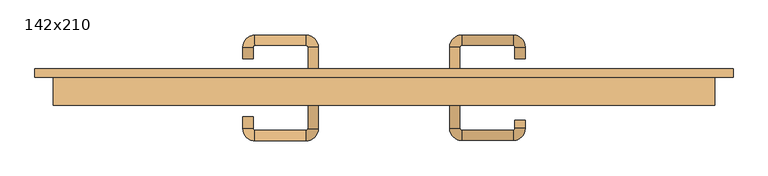
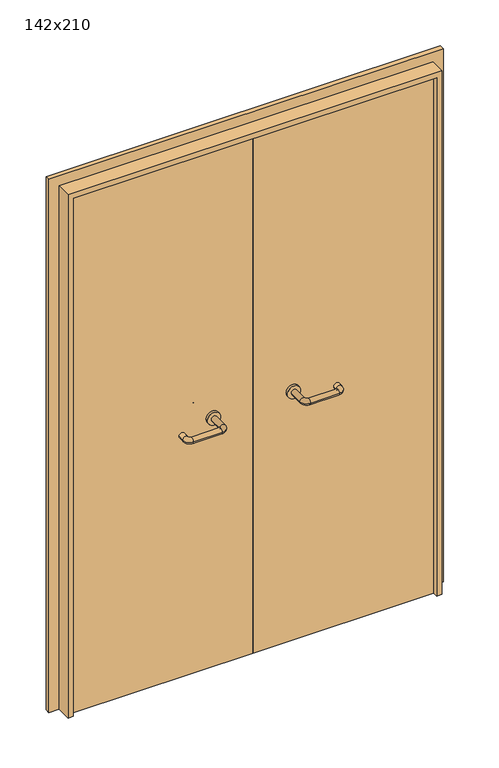
"""IFC4 building model written with IfcOpenShell, lengths in millimetres: door geometry, 142x210."""

from ifc_helpers import new_model, si_unit, point, frame, frame_2d, origin, place, context, project, spatial, polyline, circle_curve, ellipse_curve, trimmed, segment, composite_curve, outline, extrude, source, transform, mapped, element, save
from ifc_brep_helpers import plane_surface, cylinder_surface, revolved_surface, advanced_brep


def door_142x210_49f2d81c(model_context):
    return source(origin(), model_context, "Body", "SolidModel", [
        extrude(outline(polyline([(2139.0, 749.0), (2139.0, -749.0), (0.0, -749.0), (0.0, -705.0), (2095.0, -705.0), (2095.0, 705.0), (0.0, 705.0), (0.0, 749.0), (2139.0, 749.0)])), frame((0.0, 140.0, 0.0), z_axis=(0.0, 1.0, 0.0), x_axis=(0.0, 0.0, 1.0)), (0.0, 0.0, 1.0), 18.0),
        extrude(outline(polyline([(2100.0, -710.0), (0.0, -710.0), (0.0, -690.0), (2080.0, -690.0), (2080.0, 690.0), (0.0, 690.0), (0.0, 710.0), (2100.0, 710.0), (2100.0, -710.0)])), frame((0.0, 80.0, 0.0), z_axis=(0.0, 1.0, 0.0), x_axis=(0.0, 0.0, 1.0)), (0.0, 0.0, 1.0), 60.0),
        advanced_brep(
        [(140.99898, 86.0, 1003.0), (162.99898, 86.0, 1003.0), (140.99898, 30.6474631, 1003.0), (162.99898, 30.6474631, 1003.0), (166.99898, 26.6474631, 1003.0), (166.99898, 4.6474631, 1003.0), (276.99898, 4.6474631, 1003.0), (276.99898, 26.6474631, 1003.0), (280.99898, 30.6474631, 1003.0), (302.99898, 30.6474631, 1003.0), (302.99898, 48.0, 1003.0), (280.99898, 48.0, 1003.0)],
        [
            (0, 1, circle_curve(frame((151.99898, 86.0, 1003.0), z_axis=(0.0, 1.0, 0.0), x_axis=(1.0, 0.0, 0.0)), 11.0)),
            (1, 0, circle_curve(frame((151.99898, 86.0, 1003.0), z_axis=(0.0, 1.0, 0.0), x_axis=(1.0, 0.0, 0.0)), 11.0)),
            (0, 2),
            (2, 3, circle_curve(frame((151.99898, 30.6474631, 1003.0), z_axis=(0.0, 1.0, 0.0), x_axis=(1.0, 0.0, 0.0)), 11.0)),
            (3, 1),
            (3, 2, circle_curve(frame((151.99898, 30.6474631, 1003.0), z_axis=(0.0, 1.0, 0.0), x_axis=(1.0, 0.0, 0.0)), 11.0)),
            (4, 3, circle_curve(frame((166.99898, 30.6474631, 1003.0), z_axis=(0.0, 0.0, -1.0), x_axis=(-1.0, 0.0, 0.0)), 4.0)),
            (2, 5, circle_curve(frame((166.99898, 30.6474631, 1003.0), z_axis=(0.0, 0.0, 1.0), x_axis=(-1.0, 0.0, 0.0)), 26.0)),
            (5, 4, circle_curve(frame((166.99898, 15.6474631, 1003.0), z_axis=(-1.0, 0.0, 0.0), x_axis=(0.0, 1.0, 0.0)), 11.0)),
            (4, 5, circle_curve(frame((166.99898, 15.6474631, 1003.0), z_axis=(-1.0, 0.0, 0.0), x_axis=(0.0, 1.0, 0.0)), 11.0)),
            (5, 6),
            (6, 7, circle_curve(frame((276.99898, 15.6474631, 1003.0), z_axis=(-1.0, 0.0, 0.0), x_axis=(0.0, 1.0, 0.0)), 11.0)),
            (7, 4),
            (7, 6, circle_curve(frame((276.99898, 15.6474631, 1003.0), z_axis=(-1.0, 0.0, 0.0), x_axis=(0.0, 1.0, 0.0)), 11.0)),
            (8, 7, circle_curve(frame((276.99898, 30.6474631, 1003.0), z_axis=(0.0, 0.0, -1.0), x_axis=(0.0, -1.0, 0.0)), 4.0)),
            (6, 9, circle_curve(frame((276.99898, 30.6474631, 1003.0), z_axis=(0.0, 0.0, 1.0), x_axis=(0.0, -1.0, 0.0)), 26.0)),
            (9, 8, circle_curve(frame((291.99898, 30.6474631, 1003.0), z_axis=(0.0, -1.0, 0.0), x_axis=(-1.0, 0.0, 0.0)), 11.0)),
            (8, 9, circle_curve(frame((291.99898, 30.6474631, 1003.0), z_axis=(0.0, -1.0, 0.0), x_axis=(-1.0, 0.0, 0.0)), 11.0)),
            (10, 11, circle_curve(frame((291.99898, 48.0, 1003.0), z_axis=(0.0, 1.0, 0.0), x_axis=(-1.0, 0.0, 0.0)), 11.0)),
            (11, 10, circle_curve(frame((291.99898, 48.0, 1003.0), z_axis=(0.0, 1.0, 0.0), x_axis=(-1.0, 0.0, 0.0)), 11.0)),
            (9, 10),
            (11, 8),
        ],
        [
            plane_surface(frame((140.99898, 86.0, 1003.0), z_axis=(0.0, 1.0, 0.0), x_axis=(0.0, 0.0, -1.0))),
            cylinder_surface(frame((151.99898, 86.0, 1003.0), z_axis=(0.0, 1.0, 0.0), x_axis=(1.0, 0.0, 0.0)), 11.0),
            revolved_surface(trimmed(ellipse_curve(frame((151.99898, 30.6474631, 1003.0), z_axis=(0.0, 1.0, 0.0), x_axis=(1.0, 0.0, 0.0)), 11.0, 11.0), [point((140.99898, 30.6474631, 1003.0))], [point((162.99898, 30.6474631, 1003.0))], True, "CARTESIAN"), (166.99898, 30.6474631, 1003.0), (0.0, 0.0, 1.0)),
            revolved_surface(trimmed(ellipse_curve(frame((151.99898, 30.6474631, 1003.0), z_axis=(0.0, 1.0, 0.0), x_axis=(1.0, 0.0, 0.0)), 11.0, 11.0), [point((162.99898, 30.6474631, 1003.0))], [point((140.99898, 30.6474631, 1003.0))], True, "CARTESIAN"), (166.99898, 30.6474631, 1003.0), (0.0, 0.0, 1.0)),
            cylinder_surface(frame((166.99898, 15.6474631, 1003.0), z_axis=(-1.0, 0.0, 0.0), x_axis=(0.0, 1.0, 0.0)), 11.0),
            revolved_surface(trimmed(ellipse_curve(frame((276.99898, 15.6474631, 1003.0), z_axis=(-1.0, 0.0, 0.0), x_axis=(0.0, 1.0, 0.0)), 11.0, 11.0), [point((276.99898, 4.6474631, 1003.0))], [point((276.99898, 26.6474631, 1003.0))], True, "CARTESIAN"), (276.99898, 30.6474631, 1003.0), (0.0, 0.0, 1.0)),
            revolved_surface(trimmed(ellipse_curve(frame((276.99898, 15.6474631, 1003.0), z_axis=(-1.0, 0.0, 0.0), x_axis=(0.0, 1.0, 0.0)), 11.0, 11.0), [point((276.99898, 26.6474631, 1003.0))], [point((276.99898, 4.6474631, 1003.0))], True, "CARTESIAN"), (276.99898, 30.6474631, 1003.0), (0.0, 0.0, 1.0)),
            plane_surface(frame((280.99898, 48.0, 1003.0), z_axis=(0.0, 1.0, 0.0), x_axis=(0.0, 0.0, 1.0))),
            cylinder_surface(frame((291.99898, 30.6474631, 1003.0), z_axis=(0.0, -1.0, 0.0), x_axis=(-1.0, 0.0, 0.0)), 11.0),
        ],
        [
            (0, [[1, 2]]),
            (1, [[-1, 3, 4, 5]]),
            (1, [[-2, -5, 6, -3]]),
            (2, [[7, -4, 8, 9]]),
            (3, [[-8, -6, -7, 10]]),
            (4, [[-9, 11, 12, 13]]),
            (4, [[-10, -13, 14, -11]]),
            (5, [[15, -12, 16, 17]]),
            (6, [[-16, -14, -15, 18]]),
            (7, [[19, 20]]),
            (8, [[-17, 21, -20, 22]]),
            (8, [[-18, -22, -19, -21]]),
        ],
    ),
        extrude(outline(composite_curve([segment(trimmed(circle_curve(frame_2d((1003.0, 151.99898)), 25.0), [point((1003.0, 126.99898))], [point((1003.0, 176.99898))], False, "CARTESIAN"), True, "CONTINUOUS"), segment(trimmed(circle_curve(frame_2d((1003.0, 151.99898)), 25.0), [point((1003.0, 176.99898))], [point((1003.0, 126.99898))], False, "CARTESIAN"), True, "CONTINUOUS")], self_intersect=False)), frame((0.0, 86.0, 0.0), z_axis=(0.0, 1.0, 0.0), x_axis=(0.0, 0.0, 1.0)), (0.0, 0.0, 1.0), 10.0),
        advanced_brep(
        [(162.99898, 150.0, 1003.0), (140.99898, 150.0, 1003.0), (162.99898, 205.0, 1003.0), (140.99898, 205.0, 1003.0), (166.99898, 231.0, 1003.0), (166.99898, 209.0, 1003.0), (276.99898, 209.0, 1003.0), (276.99898, 231.0, 1003.0), (302.99898, 205.0, 1003.0), (280.99898, 205.0, 1003.0), (280.99898, 180.0, 1003.0), (302.99898, 180.0, 1003.0)],
        [
            (0, 1, circle_curve(frame((151.99898, 150.0, 1003.0), z_axis=(0.0, -1.0, 0.0), x_axis=(-1.0, 0.0, 0.0)), 11.0)),
            (1, 0, circle_curve(frame((151.99898, 150.0, 1003.0), z_axis=(0.0, -1.0, 0.0), x_axis=(-1.0, 0.0, 0.0)), 11.0)),
            (0, 2),
            (2, 3, circle_curve(frame((151.99898, 205.0, 1003.0), z_axis=(0.0, -1.0, 0.0), x_axis=(-1.0, 0.0, 0.0)), 11.0)),
            (3, 1),
            (3, 2, circle_curve(frame((151.99898, 205.0, 1003.0), z_axis=(0.0, -1.0, 0.0), x_axis=(-1.0, 0.0, 0.0)), 11.0)),
            (4, 3, circle_curve(frame((166.99898, 205.0, 1003.0), z_axis=(0.0, 0.0, 1.0), x_axis=(-1.0, 0.0, 0.0)), 26.0)),
            (2, 5, circle_curve(frame((166.99898, 205.0, 1003.0), z_axis=(0.0, 0.0, -1.0), x_axis=(-1.0, 0.0, 0.0)), 4.0)),
            (5, 4, circle_curve(frame((166.99898, 220.0, 1003.0), z_axis=(-1.0, 0.0, 0.0), x_axis=(0.0, 1.0, 0.0)), 11.0)),
            (4, 5, circle_curve(frame((166.99898, 220.0, 1003.0), z_axis=(-1.0, 0.0, 0.0), x_axis=(0.0, 1.0, 0.0)), 11.0)),
            (5, 6),
            (6, 7, circle_curve(frame((276.99898, 220.0, 1003.0), z_axis=(-1.0, 0.0, 0.0), x_axis=(0.0, 1.0, 0.0)), 11.0)),
            (7, 4),
            (7, 6, circle_curve(frame((276.99898, 220.0, 1003.0), z_axis=(-1.0, 0.0, 0.0), x_axis=(0.0, 1.0, 0.0)), 11.0)),
            (8, 7, circle_curve(frame((276.99898, 205.0, 1003.0), z_axis=(0.0, 0.0, 1.0), x_axis=(0.0, 1.0, 0.0)), 26.0)),
            (6, 9, circle_curve(frame((276.99898, 205.0, 1003.0), z_axis=(0.0, 0.0, -1.0), x_axis=(0.0, 1.0, 0.0)), 4.0)),
            (9, 8, circle_curve(frame((291.99898, 205.0, 1003.0), z_axis=(0.0, 1.0, 0.0), x_axis=(1.0, 0.0, 0.0)), 11.0)),
            (8, 9, circle_curve(frame((291.99898, 205.0, 1003.0), z_axis=(0.0, 1.0, 0.0), x_axis=(1.0, 0.0, 0.0)), 11.0)),
            (10, 11, circle_curve(frame((291.99898, 180.0, 1003.0), z_axis=(0.0, -1.0, 0.0), x_axis=(1.0, 0.0, 0.0)), 11.0)),
            (11, 10, circle_curve(frame((291.99898, 180.0, 1003.0), z_axis=(0.0, -1.0, 0.0), x_axis=(1.0, 0.0, 0.0)), 11.0)),
            (9, 10),
            (11, 8),
        ],
        [
            plane_surface(frame((140.99898, 150.0, 1003.0), z_axis=(0.0, -1.0, 0.0), x_axis=(0.0, 0.0, 1.0))),
            cylinder_surface(frame((151.99898, 150.0, 1003.0), z_axis=(0.0, -1.0, 0.0), x_axis=(-1.0, 0.0, 0.0)), 11.0),
            revolved_surface(trimmed(ellipse_curve(frame((151.99898, 205.0, 1003.0), z_axis=(0.0, -1.0, 0.0), x_axis=(-1.0, 0.0, 0.0)), 11.0, 11.0), [point((162.99898, 205.0, 1003.0))], [point((140.99898, 205.0, 1003.0))], True, "CARTESIAN"), (166.99898, 205.0, 1003.0), (0.0, 0.0, -1.0)),
            revolved_surface(trimmed(ellipse_curve(frame((151.99898, 205.0, 1003.0), z_axis=(0.0, -1.0, 0.0), x_axis=(-1.0, 0.0, 0.0)), 11.0, 11.0), [point((140.99898, 205.0, 1003.0))], [point((162.99898, 205.0, 1003.0))], True, "CARTESIAN"), (166.99898, 205.0, 1003.0), (0.0, 0.0, -1.0)),
            cylinder_surface(frame((166.99898, 220.0, 1003.0), z_axis=(-1.0, 0.0, 0.0), x_axis=(0.0, 1.0, 0.0)), 11.0),
            revolved_surface(trimmed(ellipse_curve(frame((276.99898, 220.0, 1003.0), z_axis=(-1.0, 0.0, 0.0), x_axis=(0.0, 1.0, 0.0)), 11.0, 11.0), [point((276.99898, 209.0, 1003.0))], [point((276.99898, 231.0, 1003.0))], True, "CARTESIAN"), (276.99898, 205.0, 1003.0), (0.0, 0.0, -1.0)),
            revolved_surface(trimmed(ellipse_curve(frame((276.99898, 220.0, 1003.0), z_axis=(-1.0, 0.0, 0.0), x_axis=(0.0, 1.0, 0.0)), 11.0, 11.0), [point((276.99898, 231.0, 1003.0))], [point((276.99898, 209.0, 1003.0))], True, "CARTESIAN"), (276.99898, 205.0, 1003.0), (0.0, 0.0, -1.0)),
            plane_surface(frame((280.99898, 180.0, 1003.0), z_axis=(0.0, -1.0, 0.0), x_axis=(0.0, 0.0, -1.0))),
            cylinder_surface(frame((291.99898, 205.0, 1003.0), z_axis=(0.0, 1.0, 0.0), x_axis=(1.0, 0.0, 0.0)), 11.0),
        ],
        [
            (0, [[1, 2]]),
            (1, [[-1, 3, 4, 5]]),
            (1, [[-2, -5, 6, -3]]),
            (2, [[7, -4, 8, 9]]),
            (3, [[-8, -6, -7, 10]]),
            (4, [[-9, 11, 12, 13]]),
            (4, [[-10, -13, 14, -11]]),
            (5, [[15, -12, 16, 17]]),
            (6, [[-16, -14, -15, 18]]),
            (7, [[19, 20]]),
            (8, [[-17, 21, -20, 22]]),
            (8, [[-18, -22, -19, -21]]),
        ],
    ),
        extrude(outline(composite_curve([segment(trimmed(circle_curve(frame_2d((1003.0, 151.99898)), 25.0), [point((1003.0, 176.99898))], [point((1003.0, 126.99898))], False, "CARTESIAN"), True, "CONTINUOUS"), segment(trimmed(circle_curve(frame_2d((1003.0, 151.99898)), 25.0), [point((1003.0, 126.99898))], [point((1003.0, 176.99898))], False, "CARTESIAN"), True, "CONTINUOUS")], self_intersect=False)), frame((0.0, 140.0, 0.0), z_axis=(0.0, 1.0, 0.0), x_axis=(0.0, 0.0, 1.0)), (0.0, 0.0, 1.0), 10.0),
        advanced_brep(
        [(-162.99898, 85.6886121, 1003.0), (-140.99898, 85.6886121, 1003.0), (-162.99898, 30.2779553, 1003.0), (-140.99898, 30.2779553, 1003.0), (-166.99898, 4.2779553, 1003.0), (-166.99898, 26.2779553, 1003.0), (-276.99898, 26.2779553, 1003.0), (-276.99898, 4.2779553, 1003.0), (-302.99898, 30.2779553, 1003.0), (-280.99898, 30.2779553, 1003.0), (-280.99898, 55.2779553, 1003.0), (-302.99898, 55.2779553, 1003.0)],
        [
            (0, 1, circle_curve(frame((-151.99898, 85.6886121, 1003.0), z_axis=(0.0, 1.0, 0.0), x_axis=(1.0, 0.0, 0.0)), 11.0)),
            (1, 0, circle_curve(frame((-151.99898, 85.6886121, 1003.0), z_axis=(0.0, 1.0, 0.0), x_axis=(1.0, 0.0, 0.0)), 11.0)),
            (0, 2),
            (2, 3, circle_curve(frame((-151.99898, 30.2779553, 1003.0), z_axis=(0.0, 1.0, 0.0), x_axis=(1.0, 0.0, 0.0)), 11.0)),
            (3, 1),
            (3, 2, circle_curve(frame((-151.99898, 30.2779553, 1003.0), z_axis=(0.0, 1.0, 0.0), x_axis=(1.0, 0.0, 0.0)), 11.0)),
            (4, 3, circle_curve(frame((-166.99898, 30.2779553, 1003.0), z_axis=(0.0, 0.0, 1.0), x_axis=(1.0, 0.0, 0.0)), 26.0)),
            (2, 5, circle_curve(frame((-166.99898, 30.2779553, 1003.0), z_axis=(0.0, 0.0, -1.0), x_axis=(1.0, 0.0, 0.0)), 4.0)),
            (5, 4, circle_curve(frame((-166.99898, 15.2779553, 1003.0), z_axis=(1.0, 0.0, 0.0), x_axis=(0.0, -1.0, 0.0)), 11.0)),
            (4, 5, circle_curve(frame((-166.99898, 15.2779553, 1003.0), z_axis=(1.0, 0.0, 0.0), x_axis=(0.0, -1.0, 0.0)), 11.0)),
            (5, 6),
            (6, 7, circle_curve(frame((-276.99898, 15.2779553, 1003.0), z_axis=(1.0, 0.0, 0.0), x_axis=(0.0, -1.0, 0.0)), 11.0)),
            (7, 4),
            (7, 6, circle_curve(frame((-276.99898, 15.2779553, 1003.0), z_axis=(1.0, 0.0, 0.0), x_axis=(0.0, -1.0, 0.0)), 11.0)),
            (8, 7, circle_curve(frame((-276.99898, 30.2779553, 1003.0), z_axis=(0.0, 0.0, 1.0), x_axis=(0.0, -1.0, 0.0)), 26.0)),
            (6, 9, circle_curve(frame((-276.99898, 30.2779553, 1003.0), z_axis=(0.0, 0.0, -1.0), x_axis=(0.0, -1.0, 0.0)), 4.0)),
            (9, 8, circle_curve(frame((-291.99898, 30.2779553, 1003.0), z_axis=(0.0, -1.0, 0.0), x_axis=(-1.0, 0.0, 0.0)), 11.0)),
            (8, 9, circle_curve(frame((-291.99898, 30.2779553, 1003.0), z_axis=(0.0, -1.0, 0.0), x_axis=(-1.0, 0.0, 0.0)), 11.0)),
            (10, 11, circle_curve(frame((-291.99898, 55.2779553, 1003.0), z_axis=(0.0, 1.0, 0.0), x_axis=(-1.0, 0.0, 0.0)), 11.0)),
            (11, 10, circle_curve(frame((-291.99898, 55.2779553, 1003.0), z_axis=(0.0, 1.0, 0.0), x_axis=(-1.0, 0.0, 0.0)), 11.0)),
            (9, 10),
            (11, 8),
        ],
        [
            plane_surface(frame((-162.99898, 85.6886121, 1003.0), z_axis=(0.0, 1.0, 0.0), x_axis=(0.0, 0.0, -1.0))),
            cylinder_surface(frame((-151.99898, 85.6886121, 1003.0), z_axis=(0.0, 1.0, 0.0), x_axis=(1.0, 0.0, 0.0)), 11.0),
            revolved_surface(trimmed(ellipse_curve(frame((-151.99898, 30.2779553, 1003.0), z_axis=(0.0, 1.0, 0.0), x_axis=(1.0, 0.0, 0.0)), 11.0, 11.0), [point((-162.99898, 30.2779553, 1003.0))], [point((-140.99898, 30.2779553, 1003.0))], True, "CARTESIAN"), (-166.99898, 30.2779553, 1003.0), (0.0, 0.0, -1.0)),
            revolved_surface(trimmed(ellipse_curve(frame((-151.99898, 30.2779553, 1003.0), z_axis=(0.0, 1.0, 0.0), x_axis=(1.0, 0.0, 0.0)), 11.0, 11.0), [point((-140.99898, 30.2779553, 1003.0))], [point((-162.99898, 30.2779553, 1003.0))], True, "CARTESIAN"), (-166.99898, 30.2779553, 1003.0), (0.0, 0.0, -1.0)),
            cylinder_surface(frame((-166.99898, 15.2779553, 1003.0), z_axis=(1.0, 0.0, 0.0), x_axis=(0.0, -1.0, 0.0)), 11.0),
            revolved_surface(trimmed(ellipse_curve(frame((-276.99898, 15.2779553, 1003.0), z_axis=(1.0, 0.0, 0.0), x_axis=(0.0, -1.0, 0.0)), 11.0, 11.0), [point((-276.99898, 26.2779553, 1003.0))], [point((-276.99898, 4.2779553, 1003.0))], True, "CARTESIAN"), (-276.99898, 30.2779553, 1003.0), (0.0, 0.0, -1.0)),
            revolved_surface(trimmed(ellipse_curve(frame((-276.99898, 15.2779553, 1003.0), z_axis=(1.0, 0.0, 0.0), x_axis=(0.0, -1.0, 0.0)), 11.0, 11.0), [point((-276.99898, 4.2779553, 1003.0))], [point((-276.99898, 26.2779553, 1003.0))], True, "CARTESIAN"), (-276.99898, 30.2779553, 1003.0), (0.0, 0.0, -1.0)),
            plane_surface(frame((-302.99898, 55.2779553, 1003.0), z_axis=(0.0, 1.0, 0.0), x_axis=(0.0, 0.0, 1.0))),
            cylinder_surface(frame((-291.99898, 30.2779553, 1003.0), z_axis=(0.0, -1.0, 0.0), x_axis=(-1.0, 0.0, 0.0)), 11.0),
        ],
        [
            (0, [[1, 2]]),
            (1, [[-1, 3, 4, 5]]),
            (1, [[-2, -5, 6, -3]]),
            (2, [[7, -4, 8, 9]]),
            (3, [[-8, -6, -7, 10]]),
            (4, [[-9, 11, 12, 13]]),
            (4, [[-10, -13, 14, -11]]),
            (5, [[15, -12, 16, 17]]),
            (6, [[-16, -14, -15, 18]]),
            (7, [[19, 20]]),
            (8, [[-17, 21, -20, 22]]),
            (8, [[-18, -22, -19, -21]]),
        ],
    ),
        extrude(outline(composite_curve([segment(trimmed(circle_curve(frame_2d((1003.0, -151.99898)), 25.0), [point((1003.0, -176.99898))], [point((1003.0, -126.99898))], False, "CARTESIAN"), True, "CONTINUOUS"), segment(trimmed(circle_curve(frame_2d((1003.0, -151.99898)), 25.0), [point((1003.0, -126.99898))], [point((1003.0, -176.99898))], False, "CARTESIAN"), True, "CONTINUOUS")], self_intersect=False)), frame((0.0, 85.6886121, 0.0), z_axis=(0.0, 1.0, 0.0), x_axis=(0.0, 0.0, 1.0)), (0.0, 0.0, 1.0), 10.3113879),
        advanced_brep(
        [(-140.99898, 149.5143417, 1003.0), (-162.99898, 149.5143417, 1003.0), (-140.99898, 204.6104656, 1003.0), (-162.99898, 204.6104656, 1003.0), (-166.99898, 208.6104656, 1003.0), (-166.99898, 230.6104656, 1003.0), (-276.99898, 230.6104656, 1003.0), (-276.99898, 208.6104656, 1003.0), (-280.99898, 204.6104656, 1003.0), (-302.99898, 204.6104656, 1003.0), (-302.99898, 179.6104656, 1003.0), (-280.99898, 179.6104656, 1003.0)],
        [
            (0, 1, circle_curve(frame((-151.99898, 149.5143417, 1003.0), z_axis=(0.0, -1.0, 0.0), x_axis=(-1.0, 0.0, 0.0)), 11.0)),
            (1, 0, circle_curve(frame((-151.99898, 149.5143417, 1003.0), z_axis=(0.0, -1.0, 0.0), x_axis=(-1.0, 0.0, 0.0)), 11.0)),
            (0, 2),
            (2, 3, circle_curve(frame((-151.99898, 204.6104656, 1003.0), z_axis=(0.0, -1.0, 0.0), x_axis=(-1.0, 0.0, 0.0)), 11.0)),
            (3, 1),
            (3, 2, circle_curve(frame((-151.99898, 204.6104656, 1003.0), z_axis=(0.0, -1.0, 0.0), x_axis=(-1.0, 0.0, 0.0)), 11.0)),
            (4, 3, circle_curve(frame((-166.99898, 204.6104656, 1003.0), z_axis=(0.0, 0.0, -1.0), x_axis=(1.0, 0.0, 0.0)), 4.0)),
            (2, 5, circle_curve(frame((-166.99898, 204.6104656, 1003.0), z_axis=(0.0, 0.0, 1.0), x_axis=(1.0, 0.0, 0.0)), 26.0)),
            (5, 4, circle_curve(frame((-166.99898, 219.6104656, 1003.0), z_axis=(1.0, 0.0, 0.0), x_axis=(0.0, -1.0, 0.0)), 11.0)),
            (4, 5, circle_curve(frame((-166.99898, 219.6104656, 1003.0), z_axis=(1.0, 0.0, 0.0), x_axis=(0.0, -1.0, 0.0)), 11.0)),
            (5, 6),
            (6, 7, circle_curve(frame((-276.99898, 219.6104656, 1003.0), z_axis=(1.0, 0.0, 0.0), x_axis=(0.0, -1.0, 0.0)), 11.0)),
            (7, 4),
            (7, 6, circle_curve(frame((-276.99898, 219.6104656, 1003.0), z_axis=(1.0, 0.0, 0.0), x_axis=(0.0, -1.0, 0.0)), 11.0)),
            (8, 7, circle_curve(frame((-276.99898, 204.6104656, 1003.0), z_axis=(0.0, 0.0, -1.0), x_axis=(0.0, 1.0, 0.0)), 4.0)),
            (6, 9, circle_curve(frame((-276.99898, 204.6104656, 1003.0), z_axis=(0.0, 0.0, 1.0), x_axis=(0.0, 1.0, 0.0)), 26.0)),
            (9, 8, circle_curve(frame((-291.99898, 204.6104656, 1003.0), z_axis=(0.0, 1.0, 0.0), x_axis=(1.0, 0.0, 0.0)), 11.0)),
            (8, 9, circle_curve(frame((-291.99898, 204.6104656, 1003.0), z_axis=(0.0, 1.0, 0.0), x_axis=(1.0, 0.0, 0.0)), 11.0)),
            (10, 11, circle_curve(frame((-291.99898, 179.6104656, 1003.0), z_axis=(0.0, -1.0, 0.0), x_axis=(1.0, 0.0, 0.0)), 11.0)),
            (11, 10, circle_curve(frame((-291.99898, 179.6104656, 1003.0), z_axis=(0.0, -1.0, 0.0), x_axis=(1.0, 0.0, 0.0)), 11.0)),
            (9, 10),
            (11, 8),
        ],
        [
            plane_surface(frame((-162.99898, 149.5143417, 1003.0), z_axis=(0.0, -1.0, 0.0), x_axis=(0.0, 0.0, 1.0))),
            cylinder_surface(frame((-151.99898, 149.5143417, 1003.0), z_axis=(0.0, -1.0, 0.0), x_axis=(-1.0, 0.0, 0.0)), 11.0),
            revolved_surface(trimmed(ellipse_curve(frame((-151.99898, 204.6104656, 1003.0), z_axis=(0.0, -1.0, 0.0), x_axis=(-1.0, 0.0, 0.0)), 11.0, 11.0), [point((-140.99898, 204.6104656, 1003.0))], [point((-162.99898, 204.6104656, 1003.0))], True, "CARTESIAN"), (-166.99898, 204.6104656, 1003.0), (0.0, 0.0, 1.0)),
            revolved_surface(trimmed(ellipse_curve(frame((-151.99898, 204.6104656, 1003.0), z_axis=(0.0, -1.0, 0.0), x_axis=(-1.0, 0.0, 0.0)), 11.0, 11.0), [point((-162.99898, 204.6104656, 1003.0))], [point((-140.99898, 204.6104656, 1003.0))], True, "CARTESIAN"), (-166.99898, 204.6104656, 1003.0), (0.0, 0.0, 1.0)),
            cylinder_surface(frame((-166.99898, 219.6104656, 1003.0), z_axis=(1.0, 0.0, 0.0), x_axis=(0.0, -1.0, 0.0)), 11.0),
            revolved_surface(trimmed(ellipse_curve(frame((-276.99898, 219.6104656, 1003.0), z_axis=(1.0, 0.0, 0.0), x_axis=(0.0, -1.0, 0.0)), 11.0, 11.0), [point((-276.99898, 230.6104656, 1003.0))], [point((-276.99898, 208.6104656, 1003.0))], True, "CARTESIAN"), (-276.99898, 204.6104656, 1003.0), (0.0, 0.0, 1.0)),
            revolved_surface(trimmed(ellipse_curve(frame((-276.99898, 219.6104656, 1003.0), z_axis=(1.0, 0.0, 0.0), x_axis=(0.0, -1.0, 0.0)), 11.0, 11.0), [point((-276.99898, 208.6104656, 1003.0))], [point((-276.99898, 230.6104656, 1003.0))], True, "CARTESIAN"), (-276.99898, 204.6104656, 1003.0), (0.0, 0.0, 1.0)),
            plane_surface(frame((-302.99898, 179.6104656, 1003.0), z_axis=(0.0, -1.0, 0.0), x_axis=(0.0, 0.0, -1.0))),
            cylinder_surface(frame((-291.99898, 204.6104656, 1003.0), z_axis=(0.0, 1.0, 0.0), x_axis=(1.0, 0.0, 0.0)), 11.0),
        ],
        [
            (0, [[1, 2]]),
            (1, [[-1, 3, 4, 5]]),
            (1, [[-2, -5, 6, -3]]),
            (2, [[7, -4, 8, 9]]),
            (3, [[-8, -6, -7, 10]]),
            (4, [[-9, 11, 12, 13]]),
            (4, [[-10, -13, 14, -11]]),
            (5, [[15, -12, 16, 17]]),
            (6, [[-16, -14, -15, 18]]),
            (7, [[19, 20]]),
            (8, [[-17, 21, -20, 22]]),
            (8, [[-18, -22, -19, -21]]),
        ],
    ),
        extrude(outline(composite_curve([segment(trimmed(circle_curve(frame_2d((1003.0, -151.99898)), 25.0), [point((1003.0, -126.99898))], [point((1003.0, -176.99898))], False, "CARTESIAN"), True, "CONTINUOUS"), segment(trimmed(circle_curve(frame_2d((1003.0, -151.99898)), 25.0), [point((1003.0, -176.99898))], [point((1003.0, -126.99898))], False, "CARTESIAN"), True, "CONTINUOUS")], self_intersect=False)), frame((0.0, 140.0, 0.0), z_axis=(0.0, 1.0, 0.0), x_axis=(0.0, 0.0, 1.0)), (0.0, 0.0, 1.0), 9.5143417),
        extrude(outline(polyline([(1.0739506, 96.0), (-687.0, 96.0), (-687.0, 140.0), (1.0739506, 140.0), (1.0739506, 96.0)])), frame((0.0, 0.0, 1.753223), z_axis=(0.0, 0.0, 1.0), x_axis=(1.0, 0.0, 0.0)), (0.0, 0.0, 1.0), 2078.246777),
        extrude(outline(polyline([(687.0, 96.0), (1.0739506, 96.0), (1.0739506, 140.0), (687.0, 140.0), (687.0, 96.0)])), frame((0.0, 0.0, 1.753223), z_axis=(0.0, 0.0, 1.0), x_axis=(1.0, 0.0, 0.0)), (0.0, 0.0, 1.0), 2078.246777),
    ])


if __name__ == "__main__":
    model = new_model("IFC4")
    model_context = context("Model", 3, world=origin())
    ifc_project = project(units=[si_unit("LENGTHUNIT", "METRE", prefix="MILLI")], contexts=[model_context])
    site = spatial("IfcSite", under=ifc_project)
    building = spatial("IfcBuilding", under=site)
    placement = place(None, origin())
    door_142x210_shape = door_142x210_49f2d81c(model_context)
    element("IfcDoor", 1, ObjectType="142x210", at=placement, inside=building, context=model_context, shape_type="MappedRepresentation", body=[
        mapped(door_142x210_shape, transform((0.0, 0.0, 0.0), x_axis=(1.0, 0.0, 0.0), y_axis=(0.0, 1.0, 0.0), z_axis=(0.0, 0.0, 1.0))),
    ])
    save(model, "model.ifc")
